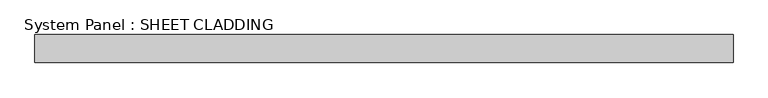
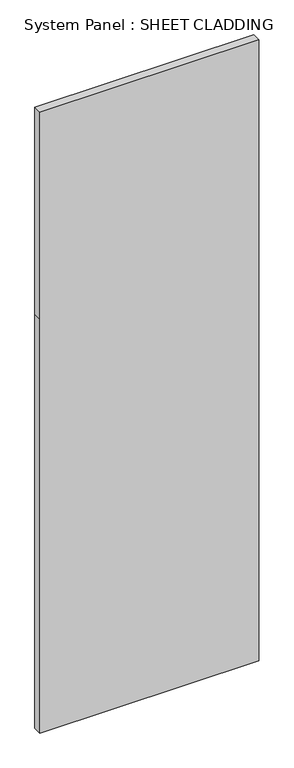
"""IFC4 building model written with IfcOpenShell, lengths in millimetres: plate geometry, System Panel : SHEET CLADDING."""

from ifc_helpers import new_model, si_unit, frame, origin, place, context, project, spatial, polyline, outline, extrude, source, transform, mapped, element, save


def system_panel_sheet_cladding_a0a89913(model_context):
    return source(origin(), model_context, "Body", "SweptSolid", [
        extrude(outline(polyline([(0.0, -750.0), (0.0, 750.0), (3000.0, 750.0), (4500.0, 750.0), (4500.0, -750.0), (3000.0, -750.0), (0.0, -750.0)])), frame((0.0, -49.5, 0.0), z_axis=(0.0, 1.0, 0.0), x_axis=(0.0, 0.0, 1.0)), (0.0, 0.0, 1.0), 60.0),
    ])


if __name__ == "__main__":
    model = new_model("IFC4")
    model_context = context("Model", 3, world=origin())
    ifc_project = project(units=[si_unit("LENGTHUNIT", "METRE", prefix="MILLI")], contexts=[model_context])
    site = spatial("IfcSite", under=ifc_project)
    building = spatial("IfcBuilding", under=site)
    placement = place(None, origin())
    system_panel_sheet_cladding_shape = system_panel_sheet_cladding_a0a89913(model_context)
    element("IfcPlate", 1, ObjectType="System Panel : SHEET CLADDING", at=placement, inside=building, context=model_context, shape_type="MappedRepresentation", body=[
        mapped(system_panel_sheet_cladding_shape, transform((0.0, 0.0, 0.0), x_axis=(1.0, 0.0, 0.0), y_axis=(0.0, 1.0, 0.0), z_axis=(0.0, 0.0, 1.0))),
    ])
    save(model, "model.ifc")
